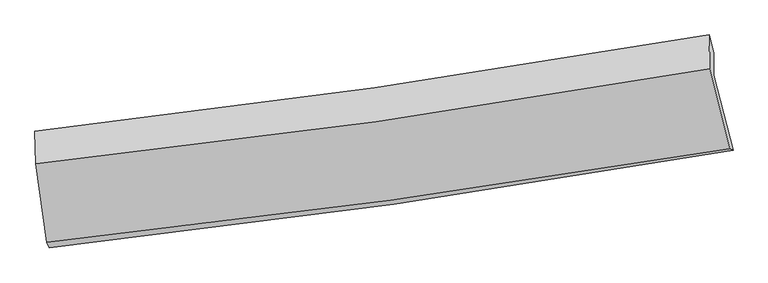
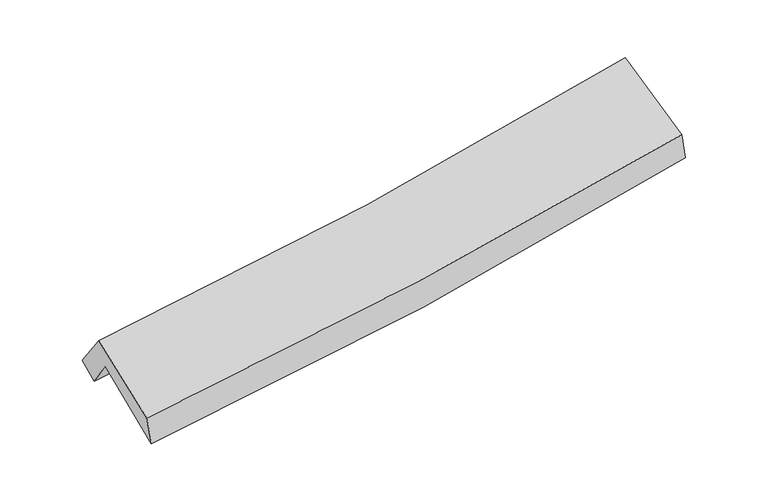
"""IFC4 building model written with IfcOpenShell, lengths in millimetres: proxy geometry."""

from ifc_helpers import new_model, si_unit, frame, origin, place, context, project, spatial, source, transform, mapped, element, save
from ifc_brep_helpers import plane_surface, spline_curve, spline_surface, advanced_brep


def generic_models_1171410b(model_context):
    return source(origin(), model_context, "Body", "AdvancedBrep", [
        advanced_brep(
        [(-2230.4451277, -2385.7110213, 1532.7218484), (-2303.8639788, -1879.0785771, 1898.8961362), (2233.3778973, -1226.5093249, 2280.1633419), (2361.8038078, -1731.7025018, 1914.1924927), (-2306.3399202, -1733.5286952, 1685.5307885), (2231.3267272, -1080.8662176, 2066.7833516), (-2325.7757167, -1602.5197757, 1787.9293076), (2200.37319, -957.1136799, 2151.8201319), (-2320.3926503, -1821.8413617, 2081.1662741), (2204.7469379, -1182.7316806, 2471.4629014), (-2245.714143, -2348.4809071, 1728.5896735), (2338.7005739, -1721.8571726, 2109.1610561)],
        [
            (0, 1),
            (1, 2, spline_curve(3, [(-2303.8639788, -1879.0785771, 1898.8961362), (-1537.878802127, -1796.553351653, 1936.399047896), (-775.063039726, -1700.599243216, 1987.128880584), (737.293303336, -1482.832039959, 2114.458397179), (1486.891499575, -1361.263064233, 2190.81763298), (2233.3778973, -1226.5093249, 2280.1633419)], [4, 2, 4], [0.0, 7.627573505417937, 15.185499408387551])),
            (2, 3),
            (3, 0, spline_curve(3, [(2361.8038078, -1731.7025018, 1914.1924927), (1604.894790668, -1865.134514831, 1825.947593421), (845.519413181, -1986.158437458, 1750.124488873), (-685.184566573, -2204.391016542, 1622.737614622), (-1456.558834429, -2301.369933498, 1571.403837782), (-2230.4451277, -2385.7110213, 1532.7218484)], [4, 2, 4], [0.0, 7.557925902969615, 15.185499408387551])),
            (1, 4),
            (4, 5, spline_curve(3, [(-2306.3399202, -1733.5286952, 1685.5307885), (-1540.289819536, -1651.00285393, 1723.045820791), (-777.406020773, -1555.0405988, 1773.780454686), (735.091969126, -1337.242183328, 1901.104957273), (1484.763719603, -1215.650279129, 1977.45451125), (2231.3267272, -1080.8662176, 2066.7833516)], [4, 2, 4], [0.0, 7.583198070039821, 15.09715373106269])),
            (5, 2),
            (4, 6),
            (6, 7, spline_curve(3, [(-2325.7757167, -1602.5197757, 1787.9293076), (-1562.874126354, -1516.711043209, 1830.093965866), (-802.52599902, -1419.725129216, 1881.682636768), (706.143884808, -1204.38657726, 2003.150894194), (1454.512059347, -1086.237126299, 2072.859164897), (2200.37319, -957.1136799, 2151.8201319)], [4, 2, 4], [0.0, 7.571601419065747, 15.074066318482398])),
            (7, 5),
            (6, 8),
            (8, 9, spline_curve(3, [(-2320.3926503, -1821.8413617, 2081.1662741), (-1556.921921187, -1740.814248297, 2126.743318356), (-796.37541262, -1646.737703689, 2182.251071487), (711.951291784, -1433.463921614, 2312.530474555), (1459.784645726, -1314.503906134, 2387.121597252), (2204.7469379, -1182.7316806, 2471.4629014)], [4, 2, 4], [0.0, 7.5601616328180095, 15.05129120301826])),
            (9, 7),
            (8, 10),
            (10, 11, spline_curve(3, [(-2245.714143, -2348.4809071, 1728.5896735), (-1474.204656983, -2266.51639937, 1774.856289213), (-704.672196114, -2173.02336881, 1829.889358346), (823.430103212, -1963.939217342, 1956.905848697), (1582.035881209, -1848.557669713, 2028.729906868), (2338.7005739, -1721.8571726, 2109.1610561)], [4, 2, 4], [0.0, 7.606498766236281, 15.143542364099792])),
            (11, 9),
            (10, 0),
            (3, 11),
        ],
        [
            spline_surface(3, 3, [[(-2230.4451277, -2385.7110213, 1532.7218484), (-1456.558834345, -2301.369933537, 1571.40383779), (-685.18456662, -2204.39101648, 1622.737614605), (845.519413228, -1986.158437519, 1750.12448889), (1604.894790663, -1865.13451478, 1825.947593503), (2361.8038078, -1731.7025018, 1914.1924927)], [(-2254.918078082, -2216.833539887, 1654.779944327), (-1483.665490282, -2133.097739599, 1693.068907817), (-715.144057629, -2036.460425437, 1744.20136995), (809.44404324, -1818.382971635, 1871.569125002), (1565.560360255, -1697.177364598, 1947.570940005), (2318.995170939, -1563.304776179, 2036.182775755)], [(-2279.391028418, -2047.956058513, 1776.838040273), (-1510.772146172, -1964.825545699, 1814.733977861), (-745.103548641, -1868.529834373, 1865.665125243), (773.368673248, -1650.607505729, 1993.013761062), (1526.225929929, -1529.220214378, 2069.194286543), (2276.186534161, -1394.907050521, 2158.173058845)], [(-2303.8639788, -1879.0785771, 1898.8961362), (-1537.878802109, -1796.553351761, 1936.399047888), (-775.06303965, -1700.599243331, 1987.128880588), (737.29330326, -1482.832039845, 2114.458397174), (1486.89149952, -1361.263064196, 2190.817633046), (2233.3778973, -1226.5093249, 2280.1633419)]], [4, 4], [4, 2, 4], [0.0, 2.0649205073219434], [0.0, 7.627573505417937, 15.185499408387551]),
            spline_surface(3, 3, [[(-2303.8639788, -1879.0785771, 1898.8961362), (-1537.878802109, -1796.553351761, 1936.399047888), (-775.06303965, -1700.599243331, 1987.128880588), (737.29330326, -1482.832039845, 2114.458397174), (1486.89149952, -1361.263064196, 2190.817633046), (2233.3778973, -1226.5093249, 2280.1633419)], [(-2304.689292602, -1830.561949799, 1827.774353638), (-1538.682474561, -1748.036519154, 1865.281305529), (-775.84403337, -1652.079695137, 1916.01273859), (736.559525218, -1434.302087635, 2043.340583871), (1486.182239565, -1312.72546919, 2119.696592432), (2232.694173956, -1177.961622451, 2209.036678485)], [(-2305.514606398, -1782.045322501, 1756.652571062), (-1539.486147008, -1699.519686549, 1794.163563157), (-776.625027075, -1603.560147025, 1844.896596642), (735.82574719, -1385.772135506, 1972.222770619), (1485.472979541, -1264.187874231, 2048.575551765), (2232.010450544, -1129.413920049, 2137.910015015)], [(-2306.3399202, -1733.5286952, 1685.5307885), (-1540.28981946, -1651.002853942, 1723.045820799), (-777.406020795, -1555.040598831, 1773.780454643), (735.091969148, -1337.242183297, 1901.104957316), (1484.763719585, -1215.650279225, 1977.454511151), (2231.3267272, -1080.8662176, 2066.7833516)]], [4, 4], [4, 2, 4], [0.0, 0.8474200346630756], [0.0, 7.583198070039821, 15.09715373106269]),
            spline_surface(3, 3, [[(-2306.3399202, -1733.5286952, 1685.5307885), (-1540.28981946, -1651.002853942, 1723.045820799), (-777.406020795, -1555.040598831, 1773.780454643), (735.091969148, -1337.242183297, 1901.104957316), (1484.763719585, -1215.650279225, 1977.454511151), (2231.3267272, -1080.8662176, 2066.7833516)], [(-2312.818519016, -1689.859055384, 1719.663628213), (-1547.817921771, -1606.238917072, 1758.728535857), (-785.779346831, -1509.935442256, 1809.747848663), (725.442607677, -1292.956981324, 1935.12026963), (1474.679832868, -1172.512561604, 2009.256062401), (2221.008881467, -1039.615371725, 2095.128945009)], [(-2319.297117884, -1646.189415516, 1753.796467887), (-1555.346024134, -1561.47498015, 1794.411250877), (-794.152672889, -1464.830285676, 1845.715242684), (715.793246184, -1248.671779346, 1969.135581943), (1464.595946149, -1129.374843908, 2041.057613723), (2210.691035733, -998.364525775, 2123.474538491)], [(-2325.7757167, -1602.5197757, 1787.9293076), (-1562.874126445, -1516.71104328, 1830.093965935), (-802.525998925, -1419.725129101, 1881.682636704), (706.143884713, -1204.386577374, 2003.150894257), (1454.512059431, -1086.237126288, 2072.859164973), (2200.37319, -957.1136799, 2151.8201319)]], [4, 4], [4, 2, 4], [0.0, 0.5657613164871035], [0.0, 7.571601419065747, 15.074066318482398]),
            spline_surface(3, 3, [[(-2325.7757167, -1602.5197757, 1787.9293076), (-1562.874126445, -1516.71104328, 1830.093965935), (-802.525998925, -1419.725129101, 1881.682636704), (706.143884713, -1204.386577374, 2003.150894257), (1454.512059431, -1086.237126288, 2072.859164973), (2200.37319, -957.1136799, 2151.8201319)], [(-2323.981361259, -1675.626971008, 1885.674963091), (-1560.890058038, -1591.412111608, 1928.977083423), (-800.475803482, -1495.39598726, 1981.872114971), (708.07968703, -1280.745692158, 2106.277421004), (1456.269588215, -1162.326052878, 2177.613309066), (2201.831105953, -1032.319680119, 2258.367721762)], [(-2322.187005741, -1748.734166392, 1983.420618609), (-1558.905989556, -1666.113180011, 2027.860200938), (-798.425607991, -1571.066845417, 2082.061593257), (710.015489396, -1357.104806941, 2209.403947772), (1458.027117041, -1238.414979512, 2282.367453074), (2203.289021947, -1107.525680381, 2364.915311538)], [(-2320.3926503, -1821.8413617, 2081.1662741), (-1556.921921149, -1740.81424834, 2126.743318426), (-796.375412548, -1646.737703576, 2182.251071523), (711.951291713, -1433.463921726, 2312.530474519), (1459.784645826, -1314.503906103, 2387.121597167), (2204.7469379, -1182.7316806, 2471.4629014)]], [4, 4], [4, 2, 4], [0.0, 1.2493945558499462], [0.0, 7.5601616328180095, 15.05129120301826]),
            spline_surface(3, 3, [[(-2320.3926503, -1821.8413617, 2081.1662741), (-1556.921921149, -1740.81424834, 2126.743318426), (-796.375412548, -1646.737703576, 2182.251071523), (711.951291713, -1433.463921726, 2312.530474519), (1459.784645826, -1314.503906103, 2387.121597167), (2204.7469379, -1182.7316806, 2471.4629014)], [(-2295.499814524, -1997.387876853, 1963.640740551), (-1529.349499722, -1916.048298694, 2009.447642012), (-765.807673722, -1822.166258685, 2064.797167172), (749.11089554, -1610.289020268, 2193.988932547), (1500.535057669, -1492.521827284, 2267.657700387), (2249.398149919, -1362.440177934, 2350.695619616)], [(-2270.606978776, -2172.934391947, 1846.115207049), (-1501.777078323, -2091.28234899, 1892.151965645), (-735.23993491, -1997.594813743, 1947.343262807), (786.270499355, -1787.114118759, 2075.447390561), (1541.285469456, -1670.539748463, 2148.193803659), (2294.049361881, -1542.148675266, 2229.928337884)], [(-2245.714143, -2348.4809071, 1728.5896735), (-1474.204656896, -2266.516399344, 1774.856289231), (-704.672196085, -2173.023368852, 1829.889358456), (823.430103182, -1963.939217301, 1956.905848589), (1582.0358813, -1848.557669644, 2028.72990688), (2338.7005739, -1721.8571726, 2109.1610561)]], [4, 4], [4, 2, 4], [0.0, 2.1129441171343073], [0.0, 7.606498766236281, 15.143542364099792]),
            spline_surface(3, 3, [[(-2245.714143, -2348.4809071, 1728.5896735), (-1474.204656896, -2266.516399344, 1774.856289231), (-704.672196085, -2173.023368852, 1829.889358456), (823.430103182, -1963.939217301, 1956.905848589), (1582.0358813, -1848.557669644, 2028.72990688), (2338.7005739, -1721.8571726, 2109.1610561)], [(-2240.624471218, -2360.890945168, 1663.30039848), (-1468.32271603, -2278.134244076, 1707.038805431), (-698.176319588, -2183.479251395, 1760.838777173), (830.793206539, -1971.345624041, 1887.97872869), (1589.655517753, -1854.08328468, 1961.135802427), (2346.401651866, -1725.138948991, 2044.171534973)], [(-2235.534799482, -2373.300983232, 1598.01112342), (-1462.440775211, -2289.752088804, 1639.221321591), (-691.680443117, -2193.935133937, 1691.788195887), (838.156309871, -1978.752030779, 1819.051608788), (1597.27515421, -1859.608899744, 1893.541697955), (2354.102729834, -1728.420725409, 1979.182013827)], [(-2230.4451277, -2385.7110213, 1532.7218484), (-1456.558834345, -2301.369933537, 1571.40383779), (-685.18456662, -2204.39101648, 1622.737614605), (845.519413228, -1986.158437519, 1750.12448889), (1604.894790663, -1865.13451478, 1825.947593503), (2361.8038078, -1731.7025018, 1914.1924927)]], [4, 4], [4, 2, 4], [0.0, 0.6880974415595413], [0.0, 7.662306225003359, 15.25464770205414]),
            plane_surface(frame((2261.7215224, -1316.7967629, 2165.5972126), z_axis=(0.9793712857921546, 0.17115786592411214, 0.10740982030580656), x_axis=(0.20197426556505435, -0.8128892839301561, -0.5462759450323389))),
            plane_surface(frame((-2288.7552561, -1961.8600564, 1785.8056714), z_axis=(-0.993093276003422, -0.10196887629851883, -0.05803527740270141), x_axis=(-0.07636089545324827, 0.1861891414750111, 0.979542044652692))),
        ],
        [
            (0, [[1, 2, 3, 4]]),
            (1, [[5, 6, 7, -2]]),
            (2, [[8, 9, 10, -6]]),
            (3, [[11, 12, 13, -9]]),
            (4, [[14, 15, 16, -12]]),
            (5, [[17, -4, 18, -15]]),
            (6, [[-16, -18, -3, -7, -10, -13]]),
            (7, [[-17, -14, -11, -8, -5, -1]]),
        ],
    ),
    ])


if __name__ == "__main__":
    model = new_model("IFC4")
    model_context = context("Model", 3, world=origin())
    ifc_project = project(units=[si_unit("LENGTHUNIT", "METRE", prefix="MILLI")], contexts=[model_context])
    site = spatial("IfcSite", under=ifc_project)
    building = spatial("IfcBuilding", under=site)
    placement = place(None, origin())
    generic_models_shape = generic_models_1171410b(model_context)
    element("IfcBuildingElementProxy", 1, Name="Generic Models", at=placement, inside=building, context=model_context, shape_type="MappedRepresentation", body=[
        mapped(generic_models_shape, transform((0.0, 0.0, 0.0), x_axis=(1.0, 0.0, 0.0), y_axis=(0.0, 1.0, 0.0), z_axis=(0.0, 0.0, 1.0))),
    ])
    save(model, "model.ifc")
